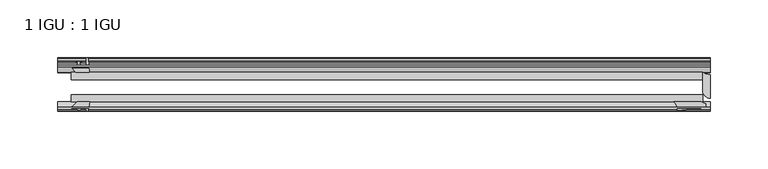
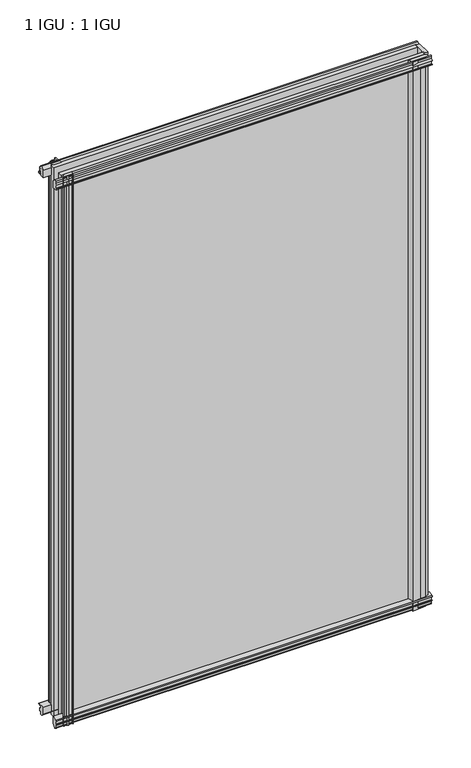
"""IFC4 building model written with IfcOpenShell, lengths in millimetres: plate geometry, 1 IGU : 1 IGU."""

from ifc_helpers import new_model, si_unit, point, frame, frame_2d, origin, place, context, project, spatial, polyline, circle_curve, trimmed, segment, composite_curve, outline, extrude, source, transform, mapped, element, save


def plate_1_igu_1_igu_f16dd380(model_context):
    return source(origin(), model_context, "Body", "SweptSolid", [
        extrude(outline(composite_curve([segment(polyline([(-57.0900403, 1.731044), (-50.00625, 3.0983599), (-50.00625, -7.92383), (-54.1882244, -12.1058044)]), True, "CONTINUOUS"), segment(trimmed(circle_curve(frame_2d((-55.08625, -11.2077788)), 1.27), [point((-54.1882244, -12.1058044))], [point((-56.35625, -11.2077788))], False, "CARTESIAN"), True, "CONTINUOUS"), segment(polyline([(-56.35625, -11.2077788), (-56.35625, -8.0327788), (-57.835546, -5.4488186), (-56.35625, -5.1879788), (-56.35625, 0.2222212), (-57.65913, 0.0383748)]), True, "CONTINUOUS"), segment(trimmed(circle_curve(frame_2d((-56.9150839, 0.7302212)), 1.016), [point((-57.65913, 0.0383748))], [point((-57.0900403, 1.731044))], False, "CARTESIAN"), True, "CONTINUOUS")], self_intersect=False)), frame((-280.1239, 0.0, 0.0), z_axis=(1.0, 0.0, 0.0), x_axis=(0.0, 1.0, 0.0)), (0.0, 0.0, 1.0), 564.2864),
        extrude(outline(composite_curve([segment(polyline([(-24.60625, 2.5763839), (-12.8423053, 1.6478499)]), True, "CONTINUOUS"), segment(trimmed(circle_curve(frame_2d((-12.92225, 0.635)), 1.016), [point((-12.8423053, 1.6478499))], [point((-12.1291353, 0.0))], False, "CARTESIAN"), True, "CONTINUOUS"), segment(polyline([(-12.1291353, 0.0), (-18.25625, 0.0), (-18.25625, -4.953), (-15.9568457, -5.5691235), (-16.3325195, -4.1670901), (-15.4738114, -3.937), (-14.82725, -6.35), (-15.4738114, -8.763), (-16.3325195, -8.5329099), (-15.9568457, -7.1308765), (-18.25625, -7.747), (-18.25625, -12.7), (-20.28825, -12.7), (-24.60625, -9.1036931), (-24.60625, 2.5763839)]), True, "CONTINUOUS")], self_intersect=False)), frame((-280.1239, 0.0, 0.0), z_axis=(1.0, 0.0, 0.0), x_axis=(0.0, 1.0, 0.0)), (0.0, 0.0, 1.0), 564.2864),
        extrude(outline(composite_curve([segment(polyline([(-20.28825, 857.1484), (-18.25625, 857.1484), (-18.25625, 852.1954), (-15.9568457, 851.5792765), (-16.3325195, 852.9813099), (-15.4738114, 853.2114), (-14.82725, 850.7984), (-15.4738114, 848.3854), (-16.3325195, 848.6154901), (-15.9568457, 850.0175235), (-18.25625, 849.4014), (-18.25625, 844.4484), (-12.1291353, 844.4484)]), True, "CONTINUOUS"), segment(trimmed(circle_curve(frame_2d((-12.92225, 843.8134)), 1.016), [point((-12.1291353, 844.4484))], [point((-12.8423053, 842.8005501))], False, "CARTESIAN"), True, "CONTINUOUS"), segment(polyline([(-12.8423053, 842.8005501), (-24.60625, 841.8720161), (-24.60625, 853.5520931), (-20.28825, 857.1484)]), True, "CONTINUOUS")], self_intersect=False)), frame((-280.1239, 0.0, 0.0), z_axis=(1.0, 0.0, 0.0), x_axis=(0.0, 1.0, 0.0)), (0.0, 0.0, 1.0), 564.2864),
        extrude(outline(composite_curve([segment(trimmed(circle_curve(frame_2d((-56.9150839, 843.7181788)), 1.016), [point((-57.0900403, 842.717356))], [point((-57.65913, 844.4100252))], False, "CARTESIAN"), True, "CONTINUOUS"), segment(polyline([(-57.65913, 844.4100252), (-56.35625, 844.2261788), (-56.35625, 849.6363788), (-57.835546, 849.8972186), (-56.35625, 852.4811788), (-56.35625, 855.6561788)]), True, "CONTINUOUS"), segment(trimmed(circle_curve(frame_2d((-55.08625, 855.6561788)), 1.27), [point((-56.35625, 855.6561788))], [point((-54.1882244, 856.5542044))], False, "CARTESIAN"), True, "CONTINUOUS"), segment(polyline([(-54.1882244, 856.5542044), (-50.00625, 852.37223), (-50.00625, 841.3500401), (-57.0900403, 842.717356)]), True, "CONTINUOUS")], self_intersect=False)), frame((-280.1239, 0.0, 0.0), z_axis=(1.0, 0.0, 0.0), x_axis=(0.0, 1.0, 0.0)), (0.0, 0.0, 1.0), 564.2864),
        extrude(outline(composite_curve([segment(polyline([(280.1239, -54.14645), (274.9011192, -56.35625), (267.0175, -56.35625), (255.5875, -57.5575914)]), True, "CONTINUOUS"), segment(trimmed(circle_curve(frame_2d((245.6399732, -57.0773768)), 9.9591112), [point((255.5875, -57.5575914))], [point((252.6530368, -50.00625))], True, "CARTESIAN"), True, "CONTINUOUS"), segment(polyline([(252.6530368, -50.00625), (276.3418863, -50.00625), (280.1239, -51.60645), (280.1239, -54.14645)]), True, "CONTINUOUS")], self_intersect=False)), frame((0.0, 0.0, -12.7), z_axis=(0.0, 0.0, 1.0), x_axis=(1.0, 0.0, 0.0)), (0.0, 0.0, 1.0), 869.8484),
        extrude(outline(composite_curve([segment(trimmed(circle_curve(frame_2d((284.1625, -40.48125)), 6.35), [point((284.1625, -46.83125))], [point((277.8125, -40.48125))], False, "CARTESIAN"), True, "CONTINUOUS"), segment(polyline([(277.8125, -40.48125), (277.8125, -24.60625)]), True, "CONTINUOUS"), segment(trimmed(circle_curve(frame_2d((284.1625, -14.2606186)), 12.1389698), [point((277.8125, -24.60625))], [point((284.1625, -26.3995885))], True, "CARTESIAN"), True, "CONTINUOUS"), segment(polyline([(284.1625, -26.3995885), (284.1625, -46.83125)]), True, "CONTINUOUS")], self_intersect=False)), frame((0.0, 0.0, -12.7), z_axis=(0.0, 0.0, 1.0), x_axis=(1.0, 0.0, 0.0)), (0.0, 0.0, 1.0), 869.8484),
        extrude(outline(composite_curve([segment(polyline([(-253.0111161, -24.60625), (-264.6911931, -24.60625), (-268.2875, -20.28825), (-268.2875, -18.25625), (-263.3345, -18.25625), (-262.7183765, -15.9568457), (-264.1204099, -16.3325195), (-264.3505, -15.4738114), (-261.9375, -14.82725), (-259.5245, -15.4738114), (-259.7545901, -16.3325195), (-261.1566235, -15.9568457), (-260.5405, -18.25625), (-255.5875, -18.25625), (-255.5875, -12.1291353)]), True, "CONTINUOUS"), segment(trimmed(circle_curve(frame_2d((-254.9525, -12.92225)), 1.016), [point((-255.5875, -12.1291353))], [point((-253.9396501, -12.8423053))], False, "CARTESIAN"), True, "CONTINUOUS"), segment(polyline([(-253.9396501, -12.8423053), (-253.0111161, -24.60625)]), True, "CONTINUOUS")], self_intersect=False)), frame((0.0, 0.0, -12.7), z_axis=(0.0, 0.0, 1.0), x_axis=(1.0, 0.0, 0.0)), (0.0, 0.0, 1.0), 869.8484),
        extrude(outline(composite_curve([segment(polyline([(-252.4891401, -50.00625), (-253.856456, -57.0900403)]), True, "CONTINUOUS"), segment(trimmed(circle_curve(frame_2d((-254.8572788, -56.9150839)), 1.016), [point((-253.856456, -57.0900403))], [point((-255.5491252, -57.65913))], False, "CARTESIAN"), True, "CONTINUOUS"), segment(polyline([(-255.5491252, -57.65913), (-255.3652788, -56.35625), (-260.7754788, -56.35625), (-261.0363186, -57.835546), (-263.6202788, -56.35625), (-266.7952788, -56.35625)]), True, "CONTINUOUS"), segment(trimmed(circle_curve(frame_2d((-266.7952788, -55.08625)), 1.27), [point((-266.7952788, -56.35625))], [point((-267.6933044, -54.1882244))], False, "CARTESIAN"), True, "CONTINUOUS"), segment(polyline([(-267.6933044, -54.1882244), (-263.51133, -50.00625), (-252.4891401, -50.00625)]), True, "CONTINUOUS")], self_intersect=False)), frame((0.0, 0.0, -12.7), z_axis=(0.0, 0.0, 1.0), x_axis=(1.0, 0.0, 0.0)), (0.0, 0.0, 1.0), 869.8484),
        extrude(outline(polyline([(-268.2875, -24.60625), (277.8125, -24.60625), (277.8125, -30.95625), (-268.2875, -30.95625), (-268.2875, -24.60625)])), frame((0.0, 0.0, -12.7), z_axis=(0.0, 0.0, 1.0), x_axis=(1.0, 0.0, 0.0)), (0.0, 0.0, 1.0), 869.8484),
        extrude(outline(polyline([(277.8125, -43.65625), (277.8125, -50.00625), (-268.2875, -50.00625), (-268.2875, -43.65625), (277.8125, -43.65625)])), frame((0.0, 0.0, -12.7), z_axis=(0.0, 0.0, 1.0), x_axis=(1.0, 0.0, 0.0)), (0.0, 0.0, 1.0), 869.8484),
    ])


if __name__ == "__main__":
    model = new_model("IFC4")
    model_context = context("Model", 3, world=origin())
    ifc_project = project(units=[si_unit("LENGTHUNIT", "METRE", prefix="MILLI")], contexts=[model_context])
    site = spatial("IfcSite", under=ifc_project)
    building = spatial("IfcBuilding", under=site)
    placement = place(None, origin())
    plate_1_igu_1_igu_shape = plate_1_igu_1_igu_f16dd380(model_context)
    element("IfcPlate", 1, ObjectType="1 IGU : 1 IGU", at=placement, inside=building, context=model_context, shape_type="MappedRepresentation", body=[
        mapped(plate_1_igu_1_igu_shape, transform((0.0, 0.0, 0.0), x_axis=(1.0, 0.0, 0.0), y_axis=(0.0, 1.0, 0.0), z_axis=(0.0, 0.0, 1.0))),
    ])
    save(model, "model.ifc")
